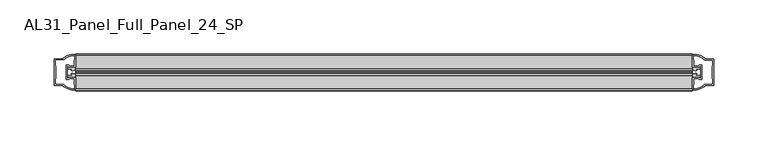
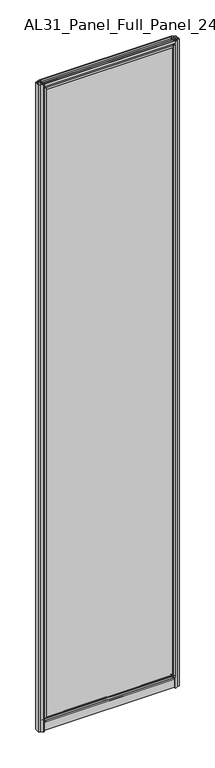
"""IFC4 building model written with IfcOpenShell, lengths in millimetres: plate geometry, AL31_Panel_Full_Panel_24_SP."""

from ifc_helpers import new_model, si_unit, point, frame, frame_2d, origin, origin_with_axes, place, context, project, spatial, polyline, circle_curve, trimmed, segment, composite_curve, outline, extrude, source, transform, mapped, element, save


def al31_panel_full_panel_24_sp_5edec5d5(model_context):
    return source(origin(), model_context, "Body", "SweptSolid", [
        extrude(outline(composite_curve([segment(polyline([(-0.8778244, 46.2206013), (-1.4322398, 45.1563534)]), True, "CONTINUOUS"), segment(trimmed(circle_curve(frame_2d((0.0, 47.9056604)), 3.1), [point((-1.4322398, 45.1563534))], [point((-3.05, 47.3511336))], False, "CARTESIAN"), True, "CONTINUOUS"), segment(polyline([(-3.05, 47.3511336), (-3.05, 41.9), (-5.0, 41.9), (-5.0, 49.4), (-17.0, 49.4), (-17.0, 59.2), (-14.8, 59.2), (-14.8, 51.3), (14.8, 51.3), (14.8, 59.2), (17.0, 59.2), (17.0, 49.4), (5.0, 49.4), (5.0, 41.9), (3.05, 41.9), (3.05, 47.3511336)]), True, "CONTINUOUS"), segment(trimmed(circle_curve(frame_2d((0.0, 47.9056604)), 3.1), [point((3.05, 47.3511336))], [point((1.4322398, 45.1563534))], False, "CARTESIAN"), True, "CONTINUOUS"), segment(polyline([(1.4322398, 45.1563534), (0.8778244, 46.2206013)]), True, "CONTINUOUS"), segment(trimmed(circle_curve(frame_2d((0.0, 47.9056604)), 1.9), [point((0.8778244, 46.2206013))], [point((0.0, 49.8056604))], True, "CARTESIAN"), True, "CONTINUOUS"), segment(trimmed(circle_curve(frame_2d((0.0, 47.9056604)), 1.9), [point((0.0, 49.8056604))], [point((-0.8778244, 46.2206013))], True, "CARTESIAN"), True, "CONTINUOUS")], self_intersect=False)), frame((-285.2324959, 0.0, 0.0), z_axis=(1.0, 0.0, 0.0), x_axis=(0.0, 1.0, 0.0)), (0.0, 0.0, 1.0), 570.4649918),
        extrude(outline(composite_curve([segment(trimmed(circle_curve(frame_2d((-286.7268355, 0.0)), 1.9), [point((-288.4118946, -0.8778244))], [point((-284.8268355, 0.0))], True, "CARTESIAN"), True, "CONTINUOUS"), segment(trimmed(circle_curve(frame_2d((-286.7268355, 0.0)), 1.9), [point((-284.8268355, 0.0))], [point((-288.4118946, 0.8778244))], True, "CARTESIAN"), True, "CONTINUOUS"), segment(polyline([(-288.4118946, 0.8778244), (-289.4761425, 1.4322398)]), True, "CONTINUOUS"), segment(trimmed(circle_curve(frame_2d((-286.7268355, 0.0)), 3.1), [point((-289.4761425, 1.4322398))], [point((-287.2813623, 3.05))], False, "CARTESIAN"), True, "CONTINUOUS"), segment(polyline([(-287.2813623, 3.05), (-292.7324959, 3.05), (-292.7324959, 5.0), (-285.2324959, 5.0), (-285.2324959, 17.0), (-275.4324959, 17.0), (-275.4324959, 14.8), (-283.3324959, 14.8), (-283.3324959, -14.8), (-275.4324959, -14.8), (-275.4324959, -17.0), (-285.2324959, -17.0), (-285.2324959, -5.0), (-292.7324959, -5.0), (-292.7324959, -3.05), (-287.2813623, -3.05)]), True, "CONTINUOUS"), segment(trimmed(circle_curve(frame_2d((-286.7268355, 0.0)), 3.1), [point((-287.2813623, -3.05))], [point((-289.4761425, -1.4322398))], False, "CARTESIAN"), True, "CONTINUOUS"), segment(polyline([(-289.4761425, -1.4322398), (-288.4118946, -0.8778244)]), True, "CONTINUOUS")], self_intersect=False)), frame((0.0, 0.0, 49.4), z_axis=(0.0, 0.0, 1.0), x_axis=(1.0, 0.0, 0.0)), (0.0, 0.0, 1.0), 2906.6),
        extrude(outline(composite_curve([segment(polyline([(288.4118946, -0.8778244), (289.4761425, -1.4322398)]), True, "CONTINUOUS"), segment(trimmed(circle_curve(frame_2d((286.7268355, 0.0)), 3.1), [point((289.4761425, -1.4322398))], [point((287.2813623, -3.05))], False, "CARTESIAN"), True, "CONTINUOUS"), segment(polyline([(287.2813623, -3.05), (292.7324959, -3.05), (292.7324959, -5.0), (285.2324959, -5.0), (285.2324959, -17.0), (275.4324959, -17.0), (275.4324959, -14.8), (283.3324959, -14.8), (283.3324959, 14.8), (275.4324959, 14.8), (275.4324959, 17.0), (285.2324959, 17.0), (285.2324959, 5.0), (292.7324959, 5.0), (292.7324959, 3.05), (287.2813623, 3.05)]), True, "CONTINUOUS"), segment(trimmed(circle_curve(frame_2d((286.7268355, 0.0)), 3.1), [point((287.2813623, 3.05))], [point((289.4761425, 1.4322398))], False, "CARTESIAN"), True, "CONTINUOUS"), segment(polyline([(289.4761425, 1.4322398), (288.4118946, 0.8778244)]), True, "CONTINUOUS"), segment(trimmed(circle_curve(frame_2d((286.7268355, 0.0)), 1.9), [point((288.4118946, 0.8778244))], [point((284.8268355, 0.0))], True, "CARTESIAN"), True, "CONTINUOUS"), segment(trimmed(circle_curve(frame_2d((286.7268355, 0.0)), 1.9), [point((284.8268355, 0.0))], [point((288.4118946, -0.8778244))], True, "CARTESIAN"), True, "CONTINUOUS")], self_intersect=False)), frame((0.0, 0.0, 49.4), z_axis=(0.0, 0.0, 1.0), x_axis=(1.0, 0.0, 0.0)), (0.0, 0.0, 1.0), 2906.6),
        extrude(outline(composite_curve([segment(polyline([(0.8778244, 2959.1793987), (1.4322398, 2960.2436466)]), True, "CONTINUOUS"), segment(trimmed(circle_curve(frame_2d((0.0, 2957.4943396)), 3.1), [point((1.4322398, 2960.2436466))], [point((3.05, 2958.0488664))], False, "CARTESIAN"), True, "CONTINUOUS"), segment(polyline([(3.05, 2958.0488664), (3.05, 2963.5), (5.0, 2963.5), (5.0, 2956.0), (17.0, 2956.0), (17.0, 2946.2), (14.8, 2946.2), (14.8, 2954.1), (-14.8, 2954.1), (-14.8, 2946.2), (-17.0, 2946.2), (-17.0, 2956.0), (-5.0, 2956.0), (-5.0, 2963.5), (-3.05, 2963.5), (-3.05, 2958.0488664)]), True, "CONTINUOUS"), segment(trimmed(circle_curve(frame_2d((0.0, 2957.4943396)), 3.1), [point((-3.05, 2958.0488664))], [point((-1.4322398, 2960.2436466))], False, "CARTESIAN"), True, "CONTINUOUS"), segment(polyline([(-1.4322398, 2960.2436466), (-0.8778244, 2959.1793987)]), True, "CONTINUOUS"), segment(trimmed(circle_curve(frame_2d((0.0, 2957.4943396)), 1.9), [point((-0.8778244, 2959.1793987))], [point((0.0, 2955.5943396))], True, "CARTESIAN"), True, "CONTINUOUS"), segment(trimmed(circle_curve(frame_2d((0.0, 2957.4943396)), 1.9), [point((0.0, 2955.5943396))], [point((0.8778244, 2959.1793987))], True, "CARTESIAN"), True, "CONTINUOUS")], self_intersect=False)), frame((-285.2324959, 0.0, 0.0), z_axis=(1.0, 0.0, 0.0), x_axis=(0.0, 1.0, 0.0)), (0.0, 0.0, 1.0), 570.4649918),
        extrude(outline(composite_curve([segment(polyline([(-1.4, 2968.8980762), (-0.85, 2967.9454483)]), True, "CONTINUOUS"), segment(trimmed(circle_curve(frame_2d((0.1, 2966.3)), 1.9), [point((-0.85, 2967.9454483))], [point((1.05, 2967.9454483))], True, "CARTESIAN"), True, "CONTINUOUS"), segment(polyline([(1.05, 2967.9454483), (1.6, 2968.8980762)]), True, "CONTINUOUS"), segment(trimmed(circle_curve(frame_2d((0.1, 2966.3)), 3.0), [point((1.6, 2968.8980762))], [point((2.5718414, 2964.6))], False, "CARTESIAN"), True, "CONTINUOUS"), segment(polyline([(2.5718414, 2964.6), (15.7, 2964.6), (15.7, 2974.0), (17.0, 2974.0), (17.0, 2963.5), (6.7024688, 2963.5), (6.7024688, 2962.7), (6.1968782, 2960.7785039), (6.1968782, 2956.1), (5.0, 2956.1), (5.0, 2961.4339746), (5.5, 2962.3), (5.5, 2963.5), (-5.5, 2963.5), (-5.5, 2962.3), (-5.0, 2961.4339746), (-5.0, 2956.1), (-6.1968782, 2956.1), (-6.1968782, 2960.7785039), (-6.7024688, 2962.7), (-6.7024688, 2963.5), (-17.0, 2963.5), (-17.0, 2974.0), (-15.7, 2974.0), (-15.7, 2964.6), (-2.3718414, 2964.6)]), True, "CONTINUOUS"), segment(trimmed(circle_curve(frame_2d((0.1, 2966.3)), 3.0), [point((-2.3718414, 2964.6))], [point((-1.4, 2968.8980762))], False, "CARTESIAN"), True, "CONTINUOUS")], self_intersect=False)), frame((-285.2324959, 0.0, 0.0), z_axis=(1.0, 0.0, 0.0), x_axis=(0.0, 1.0, 0.0)), (0.0, 0.0, 1.0), 570.4649918),
        extrude(outline(composite_curve([segment(polyline([(-293.0739173, -5.9), (-291.8739173, -5.9), (-291.8739173, -5.0), (-285.2324959, -5.0), (-285.2324959, -17.0001453)]), True, "CONTINUOUS"), segment(trimmed(circle_curve(frame_2d((-284.8678443, 2.9965302)), 20.0), [point((-285.2324959, -17.0001453))], [point((-296.5883311, -13.2093388))], False, "CARTESIAN"), True, "CONTINUOUS"), segment(polyline([(-296.5883311, -13.2093388), (-296.5883311, -12.3279343), (-305.2324959, -12.3279343), (-305.2324959, 12.3720657), (-296.5883311, 12.3720657), (-296.5883311, 13.2095249)]), True, "CONTINUOUS"), segment(trimmed(circle_curve(frame_2d((-284.8678443, -2.9963441)), 20.0), [point((-296.5883311, 13.2095249))], [point((-285.2324959, 17.0003314))], False, "CARTESIAN"), True, "CONTINUOUS"), segment(polyline([(-285.2324959, 17.0003314), (-285.2324959, 5.0), (-291.8739173, 5.0), (-291.8739173, 5.9), (-293.0739173, 5.9), (-293.0739173, -5.9)]), True, "CONTINUOUS")], self_intersect=False), holes=[composite_curve([segment(trimmed(circle_curve(frame_2d((-292.0739173, 5.7)), 1.5), [point((-292.0739173, 7.2))], [point((-290.718663, 6.3428731))], False, "CARTESIAN"), True, "CONTINUOUS"), segment(polyline([(-290.718663, 6.3428731), (-286.9739173, 6.3428731), (-286.9739173, 10.939223), (-286.5345775, 11.9998832), (-286.5345775, 15.6499817)]), True, "CONTINUOUS"), segment(trimmed(circle_curve(frame_2d((-284.8678443, -2.9755921)), 18.7), [point((-286.5345775, 15.6499817))], [point((-294.8746221, 12.8216987))], True, "CARTESIAN"), True, "CONTINUOUS"), segment(trimmed(circle_curve(frame_2d((-296.6739173, 12.8720657)), 1.8), [point((-294.8746221, 12.8216987))], [point((-296.6739173, 11.0720657))], False, "CARTESIAN"), True, "CONTINUOUS"), segment(polyline([(-296.6739173, 11.0720657), (-303.8153386, 11.0720657), (-303.8153386, 6.5019606), (-303.3739173, 5.439223), (-303.3739173, -5.3950916), (-303.8739173, -6.3879987), (-303.8739173, -11.0279343), (-296.6739173, -11.0279343)]), True, "CONTINUOUS"), segment(trimmed(circle_curve(frame_2d((-296.6739173, -12.8279343)), 1.8), [point((-296.6739173, -11.0279343))], [point((-294.8746221, -12.7775673))], False, "CARTESIAN"), True, "CONTINUOUS"), segment(trimmed(circle_curve(frame_2d((-284.8678443, 3.0197235)), 18.7), [point((-294.8746221, -12.7775673))], [point((-286.5345775, -15.6058503))], True, "CARTESIAN"), True, "CONTINUOUS"), segment(polyline([(-286.5345775, -15.6058503), (-286.5345775, -11.9557518), (-286.9739173, -10.8950916), (-286.9739173, -6.2991308), (-290.6987656, -6.2991308)]), True, "CONTINUOUS"), segment(trimmed(circle_curve(frame_2d((-292.0739173, -5.7)), 1.5), [point((-290.6987656, -6.2991308))], [point((-292.0739173, -7.2))], False, "CARTESIAN"), True, "CONTINUOUS"), segment(polyline([(-292.0739173, -7.2), (-294.3739173, -7.2), (-294.3739173, 7.2), (-292.0739173, 7.2)]), True, "CONTINUOUS")], self_intersect=False)]), origin_with_axes(), (0.0, 0.0, 1.0), 2974.0),
        extrude(outline(composite_curve([segment(polyline([(293.0739173, 5.9), (291.8739173, 5.9), (291.8739173, 5.0), (285.2324959, 5.0), (285.2324959, 17.0001453)]), True, "CONTINUOUS"), segment(trimmed(circle_curve(frame_2d((284.8678443, -2.9965302)), 20.0), [point((285.2324959, 17.0001453))], [point((296.5883311, 13.2093388))], False, "CARTESIAN"), True, "CONTINUOUS"), segment(polyline([(296.5883311, 13.2093388), (296.5883311, 12.3279343), (305.2324959, 12.3279343), (305.2324959, -12.3720657), (296.5883311, -12.3720657), (296.5883311, -13.2095249)]), True, "CONTINUOUS"), segment(trimmed(circle_curve(frame_2d((284.8678443, 2.9963441)), 20.0), [point((296.5883311, -13.2095249))], [point((285.2324959, -17.0003314))], False, "CARTESIAN"), True, "CONTINUOUS"), segment(polyline([(285.2324959, -17.0003314), (285.2324959, -5.0), (291.8739173, -5.0), (291.8739173, -5.9), (293.0739173, -5.9), (293.0739173, 5.9)]), True, "CONTINUOUS")], self_intersect=False), holes=[composite_curve([segment(trimmed(circle_curve(frame_2d((292.0739173, -5.7)), 1.5), [point((292.0739173, -7.2))], [point((290.718663, -6.3428731))], False, "CARTESIAN"), True, "CONTINUOUS"), segment(polyline([(290.718663, -6.3428731), (286.9739173, -6.3428731), (286.9739173, -10.939223), (286.5345775, -11.9998832), (286.5345775, -15.6499817)]), True, "CONTINUOUS"), segment(trimmed(circle_curve(frame_2d((284.8678443, 2.9755921)), 18.7), [point((286.5345775, -15.6499817))], [point((294.8746221, -12.8216987))], True, "CARTESIAN"), True, "CONTINUOUS"), segment(trimmed(circle_curve(frame_2d((296.6739173, -12.8720657)), 1.8), [point((294.8746221, -12.8216987))], [point((296.6739173, -11.0720657))], False, "CARTESIAN"), True, "CONTINUOUS"), segment(polyline([(296.6739173, -11.0720657), (303.8153386, -11.0720657), (303.8153386, -6.5019606), (303.3739173, -5.439223), (303.3739173, 5.3950916), (303.8739173, 6.3879987), (303.8739173, 11.0279343), (296.6739173, 11.0279343)]), True, "CONTINUOUS"), segment(trimmed(circle_curve(frame_2d((296.6739173, 12.8279343)), 1.8), [point((296.6739173, 11.0279343))], [point((294.8746221, 12.7775673))], False, "CARTESIAN"), True, "CONTINUOUS"), segment(trimmed(circle_curve(frame_2d((284.8678443, -3.0197235)), 18.7), [point((294.8746221, 12.7775673))], [point((286.5345775, 15.6058503))], True, "CARTESIAN"), True, "CONTINUOUS"), segment(polyline([(286.5345775, 15.6058503), (286.5345775, 11.9557518), (286.9739173, 10.8950916), (286.9739173, 6.2991308), (290.6987656, 6.2991308)]), True, "CONTINUOUS"), segment(trimmed(circle_curve(frame_2d((292.0739173, 5.7)), 1.5), [point((290.6987656, 6.2991308))], [point((292.0739173, 7.2))], False, "CARTESIAN"), True, "CONTINUOUS"), segment(polyline([(292.0739173, 7.2), (294.3739173, 7.2), (294.3739173, -7.2), (292.0739173, -7.2)]), True, "CONTINUOUS")], self_intersect=False)]), origin_with_axes(), (0.0, 0.0, 1.0), 2974.0),
        extrude(outline(composite_curve([segment(trimmed(circle_curve(frame_2d((-8.4, 34.8)), 1.0), [point((-8.4, 35.8))], [point((-9.4, 34.8))], True, "CARTESIAN"), True, "CONTINUOUS"), segment(polyline([(-9.4, 34.8), (-9.4, 33.5), (-5.0000303, 33.5), (-5.0000303, 32.3), (-9.4, 32.3), (-9.4, 0.0), (-10.6, 0.0), (-10.6, 47.3)]), True, "CONTINUOUS"), segment(trimmed(circle_curve(frame_2d((-8.6, 47.3)), 2.0), [point((-10.6, 47.3))], [point((-8.6, 49.3))], False, "CARTESIAN"), True, "CONTINUOUS"), segment(polyline([(-8.6, 49.3), (-5.0, 49.3), (-5.0, 41.9), (5.0, 41.9), (5.0, 49.3), (8.6, 49.3)]), True, "CONTINUOUS"), segment(trimmed(circle_curve(frame_2d((8.6, 47.3)), 2.0), [point((8.6, 49.3))], [point((10.6, 47.3))], False, "CARTESIAN"), True, "CONTINUOUS"), segment(polyline([(10.6, 47.3), (10.6, 0.0), (9.4, 0.0), (9.4, 32.3), (4.9999697, 32.3), (4.9999697, 33.5), (9.4, 33.5), (9.4, 34.8)]), True, "CONTINUOUS"), segment(trimmed(circle_curve(frame_2d((8.4, 34.8)), 1.0), [point((9.4, 34.8))], [point((8.4, 35.8))], True, "CARTESIAN"), True, "CONTINUOUS"), segment(polyline([(8.4, 35.8), (-8.4, 35.8)]), True, "CONTINUOUS")], self_intersect=False), holes=[composite_curve([segment(trimmed(circle_curve(frame_2d((5.5024688, 41.8)), 1.0), [point((6.5024688, 41.8))], [point((5.5024688, 40.8))], False, "CARTESIAN"), True, "CONTINUOUS"), segment(polyline([(5.5024688, 40.8), (2.8008965, 40.8), (2.8008965, 39.7274194), (1.8370508, 39.7274194)]), True, "CONTINUOUS"), segment(trimmed(circle_curve(frame_2d((0.0, 38.7)), 2.1048387), [point((1.8370508, 39.7274194))], [point((-1.8370508, 39.7274194))], True, "CARTESIAN"), True, "CONTINUOUS"), segment(polyline([(-1.8370508, 39.7274194), (-2.8008965, 39.7274194), (-2.8008965, 40.8), (-5.5024688, 40.8)]), True, "CONTINUOUS"), segment(trimmed(circle_curve(frame_2d((-5.5024688, 41.8)), 1.0), [point((-5.5024688, 40.8))], [point((-6.5024688, 41.8))], False, "CARTESIAN"), True, "CONTINUOUS"), segment(polyline([(-6.5024688, 41.8), (-6.5024688, 42.7)]), True, "CONTINUOUS"), segment(trimmed(circle_curve(frame_2d((-5.3024688, 42.7)), 1.2), [point((-6.5024688, 42.7))], [point((-6.1198184, 43.5786009))], False, "CARTESIAN"), True, "CONTINUOUS"), segment(polyline([(-6.1198184, 43.5786009), (-6.1198184, 48.2), (-8.4, 48.2)]), True, "CONTINUOUS"), segment(trimmed(circle_curve(frame_2d((-8.4, 47.2)), 1.0), [point((-8.4, 48.2))], [point((-9.4, 47.2))], True, "CARTESIAN"), True, "CONTINUOUS"), segment(polyline([(-9.4, 47.2), (-9.4, 37.04), (-2.8008965, 37.04), (-2.8008965, 38.0725806), (-1.8370508, 38.0725806)]), True, "CONTINUOUS"), segment(trimmed(circle_curve(frame_2d((0.0, 39.1)), 2.1048387), [point((-1.8370508, 38.0725806))], [point((1.8370508, 38.0725806))], True, "CARTESIAN"), True, "CONTINUOUS"), segment(polyline([(1.8370508, 38.0725806), (2.8008965, 38.0725806), (2.8008965, 37.04), (9.4, 37.04), (9.4, 47.2)]), True, "CONTINUOUS"), segment(trimmed(circle_curve(frame_2d((8.4, 47.2)), 1.0), [point((9.4, 47.2))], [point((8.4, 48.2))], True, "CARTESIAN"), True, "CONTINUOUS"), segment(polyline([(8.4, 48.2), (6.1198184, 48.2), (6.1198184, 43.7786009)]), True, "CONTINUOUS"), segment(trimmed(circle_curve(frame_2d((5.3024688, 42.9)), 1.2), [point((6.1198184, 43.7786009))], [point((6.5024688, 42.9))], False, "CARTESIAN"), True, "CONTINUOUS"), segment(polyline([(6.5024688, 42.9), (6.5024688, 41.8)]), True, "CONTINUOUS")], self_intersect=False)]), frame((-285.2324959, 0.0, 0.0), z_axis=(1.0, 0.0, 0.0), x_axis=(0.0, 1.0, 0.0)), (0.0, 0.0, 1.0), 570.4649918),
        extrude(outline(polyline([(283.3324959, -8.0), (283.3324959, -12.0), (-283.3324959, -12.0), (-283.3324959, -8.0), (283.3324959, -8.0)])), frame((0.0, 0.0, 51.3), z_axis=(0.0, 0.0, 1.0), x_axis=(1.0, 0.0, 0.0)), (0.0, 0.0, 1.0), 2902.8),
        extrude(outline(polyline([(283.3324959, 12.0), (283.3324959, 8.0), (-283.3324959, 8.0), (-283.3324959, 12.0), (283.3324959, 12.0)])), frame((0.0, 0.0, 51.3), z_axis=(0.0, 0.0, 1.0), x_axis=(1.0, 0.0, 0.0)), (0.0, 0.0, 1.0), 2902.8),
        extrude(outline(polyline([(17.0, 59.2), (17.0, 49.4), (10.6, 49.4), (10.6, 0.0), (-10.6, 0.0), (-10.6, 49.4), (-17.0, 49.4), (-17.0, 59.2), (17.0, 59.2)])), frame((-285.2324959, 0.0, 0.0), z_axis=(1.0, 0.0, 0.0), x_axis=(0.0, 1.0, 0.0)), (0.0, 0.0, 1.0), 570.4649918),
    ])


if __name__ == "__main__":
    model = new_model("IFC4")
    model_context = context("Model", 3, world=origin())
    ifc_project = project(units=[si_unit("LENGTHUNIT", "METRE", prefix="MILLI")], contexts=[model_context])
    site = spatial("IfcSite", under=ifc_project)
    building = spatial("IfcBuilding", under=site)
    placement = place(None, origin())
    al31_panel_full_panel_24_sp_shape = al31_panel_full_panel_24_sp_5edec5d5(model_context)
    element("IfcPlate", 1, ObjectType="AL31_Panel_Full_Panel_24_SP", at=placement, inside=building, context=model_context, shape_type="MappedRepresentation", body=[
        mapped(al31_panel_full_panel_24_sp_shape, transform((0.0, 0.0, 0.0), x_axis=(1.0, 0.0, 0.0), y_axis=(0.0, 1.0, 0.0), z_axis=(0.0, 0.0, 1.0))),
    ])
    save(model, "model.ifc")
